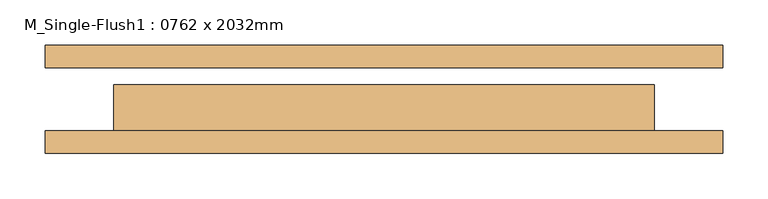
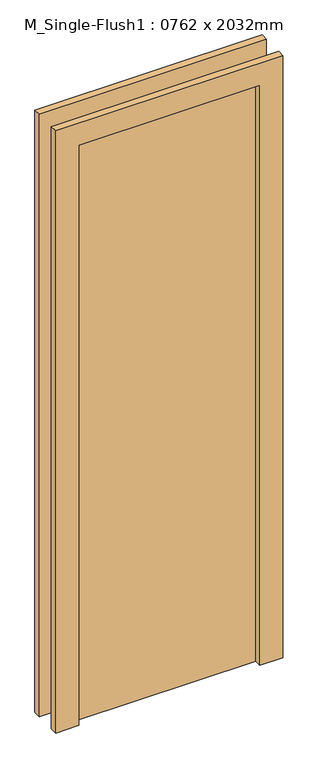
"""IFC4 building model written with IfcOpenShell, lengths in millimetres: door geometry, M_Single-Flush1 : 0762 x 2032mm."""

from ifc_helpers import new_model, si_unit, frame, origin, origin_with_axes, place, context, project, spatial, polyline, outline, extrude, source, transform, mapped, element, save


def m_single_flush1_0762_x_2032mm_e8a3b2be(model_context):
    return source(origin(), model_context, "Body", "SweptSolid", [
        extrude(outline(polyline([(2108.0, -376.0), (0.0, -376.0), (0.0, -300.0), (2032.0, -300.0), (2032.0, 300.0), (0.0, 300.0), (0.0, 376.0), (2108.0, 376.0), (2108.0, -376.0)])), frame((0.0, -60.0, 0.0), z_axis=(0.0, 1.0, 0.0), x_axis=(0.0, 0.0, 1.0)), (0.0, 0.0, 1.0), 25.0),
        extrude(outline(polyline([(2108.0, 376.0), (2108.0, -376.0), (0.0, -376.0), (0.0, -300.0), (2032.0, -300.0), (2032.0, 300.0), (0.0, 300.0), (0.0, 376.0), (2108.0, 376.0)])), frame((0.0, 35.0, 0.0), z_axis=(0.0, 1.0, 0.0), x_axis=(0.0, 0.0, 1.0)), (0.0, 0.0, 1.0), 25.0),
        extrude(outline(polyline([(300.0, 16.0), (300.0, -35.0), (-300.0, -35.0), (-300.0, 16.0), (300.0, 16.0)])), origin_with_axes(), (0.0, 0.0, 1.0), 2032.0),
    ])


if __name__ == "__main__":
    model = new_model("IFC4")
    model_context = context("Model", 3, world=origin())
    ifc_project = project(units=[si_unit("LENGTHUNIT", "METRE", prefix="MILLI")], contexts=[model_context])
    site = spatial("IfcSite", under=ifc_project)
    building = spatial("IfcBuilding", under=site)
    placement = place(None, origin())
    m_single_flush1_0762_x_2032mm_shape = m_single_flush1_0762_x_2032mm_e8a3b2be(model_context)
    element("IfcDoor", 1, ObjectType="M_Single-Flush1 : 0762 x 2032mm", at=placement, inside=building, context=model_context, shape_type="MappedRepresentation", body=[
        mapped(m_single_flush1_0762_x_2032mm_shape, transform((0.0, 0.0, 0.0), x_axis=(1.0, 0.0, 0.0), y_axis=(0.0, 1.0, 0.0), z_axis=(0.0, 0.0, 1.0))),
    ])
    save(model, "model.ifc")
